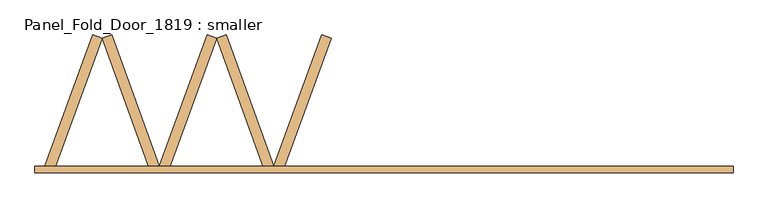
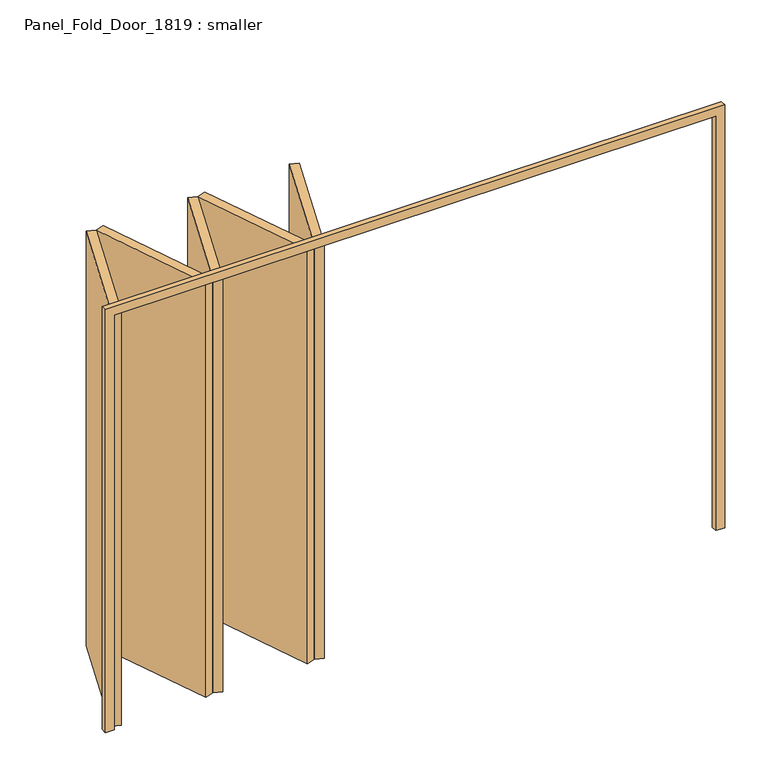
"""IFC4 building model written with IfcOpenShell, lengths in millimetres: door geometry, Panel_Fold_Door_1819 : smaller."""

from ifc_helpers import new_model, si_unit, frame, origin, origin_with_axes, place, context, project, spatial, polyline, outline, extrude, source, transform, mapped, element, save


def panel_fold_door_1819_smaller_c44b5eee(model_context):
    return source(origin(), model_context, "Body", "SweptSolid", [
        extrude(outline(polyline([(-625.7989994, 533.026598), (-436.4156056, 12.7), (-474.0033105, -0.9808057), (-663.3867042, 519.3457922), (-625.7989994, 533.026598)])), origin_with_axes(), (0.0, 0.0, 1.0), 1960.0),
        extrude(outline(polyline([(-1079.7411966, 533.026598), (-890.3578028, 12.7), (-927.9455076, -0.9808057), (-1117.3289014, 519.3457922), (-1079.7411966, 533.026598)])), origin_with_axes(), (0.0, 0.0, 1.0), 1960.0),
        extrude(outline(polyline([(-247.0322119, 533.026598), (-209.444507, 519.3457922), (-398.8279008, -0.9808057), (-436.4156056, 12.7), (-247.0322119, 533.026598)])), origin_with_axes(), (0.0, 0.0, 1.0), 1960.0),
        extrude(outline(polyline([(-700.9744091, 533.026598), (-663.3867042, 519.3457922), (-852.770098, -0.9808057), (-890.3578028, 12.7), (-700.9744091, 533.026598)])), origin_with_axes(), (0.0, 0.0, 1.0), 1960.0),
        extrude(outline(polyline([(-1154.9166062, 533.026598), (-1117.3289014, 519.3457922), (-1306.7122952, -0.9808057), (-1344.3, 12.7), (-1154.9166062, 533.026598)])), origin_with_axes(), (0.0, 0.0, 1.0), 1960.0),
        extrude(outline(polyline([(0.0, 1344.3), (0.0, 1384.3), (2000.0, 1384.3), (2000.0, -1384.3), (0.0, -1384.3), (0.0, -1344.3), (1960.0, -1344.3), (1960.0, 1344.3), (0.0, 1344.3)])), frame((0.0, -12.7, 0.0), z_axis=(0.0, 1.0, 0.0), x_axis=(0.0, 0.0, 1.0)), (0.0, 0.0, 1.0), 25.4),
    ])


if __name__ == "__main__":
    model = new_model("IFC4")
    model_context = context("Model", 3, world=origin())
    ifc_project = project(units=[si_unit("LENGTHUNIT", "METRE", prefix="MILLI")], contexts=[model_context])
    site = spatial("IfcSite", under=ifc_project)
    building = spatial("IfcBuilding", under=site)
    placement = place(None, origin())
    panel_fold_door_1819_smaller_shape = panel_fold_door_1819_smaller_c44b5eee(model_context)
    element("IfcDoor", 1, ObjectType="Panel_Fold_Door_1819 : smaller", at=placement, inside=building, context=model_context, shape_type="MappedRepresentation", body=[
        mapped(panel_fold_door_1819_smaller_shape, transform((0.0, 0.0, 0.0), x_axis=(1.0, 0.0, 0.0), y_axis=(0.0, 1.0, 0.0), z_axis=(0.0, 0.0, 1.0))),
    ])
    save(model, "model.ifc")
